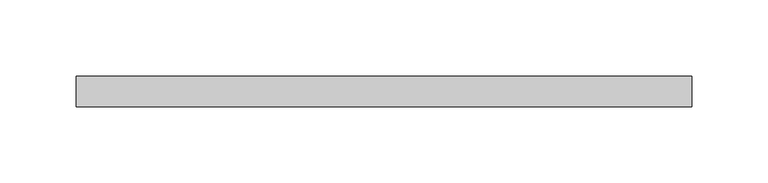
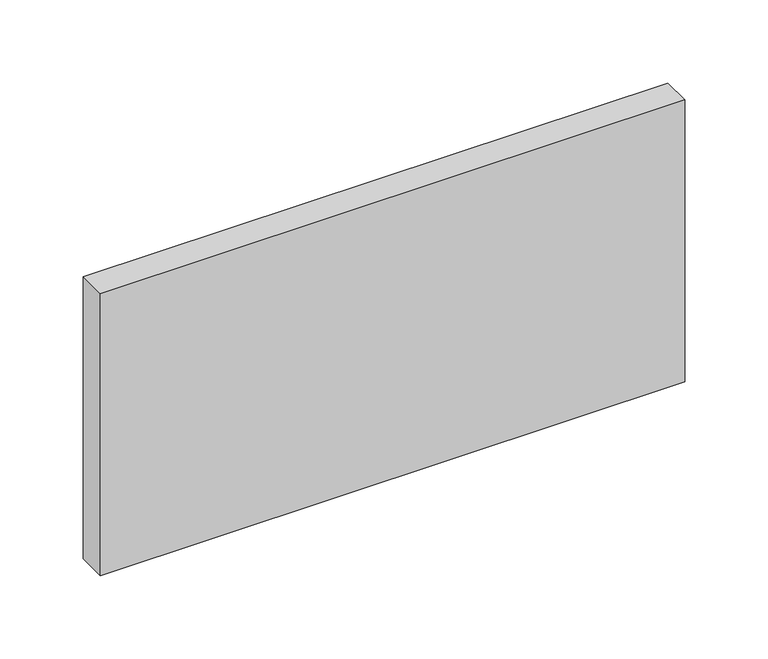
"""IFC4 building model written with IfcOpenShell, lengths in millimetres: plate geometry."""

from ifc_helpers import new_model, si_unit, origin, origin_with_axes, place, context, project, spatial, polyline, outline, extrude, source, transform, mapped, element, save


def plate_d4530995(model_context):
    return source(origin(), model_context, "Body", "SweptSolid", [
        extrude(outline(polyline([(202.3913043, 70.0), (-202.3913043, 70.0), (-202.3913043, 90.0), (202.3913043, 90.0), (202.3913043, 70.0)])), origin_with_axes(), (0.0, 0.0, 1.0), 206.4596055),
    ])


if __name__ == "__main__":
    model = new_model("IFC4")
    model_context = context("Model", 3, world=origin())
    ifc_project = project(units=[si_unit("LENGTHUNIT", "METRE", prefix="MILLI")], contexts=[model_context])
    site = spatial("IfcSite", under=ifc_project)
    building = spatial("IfcBuilding", under=site)
    placement = place(None, origin())
    plate_shape = plate_d4530995(model_context)
    element("IfcPlate", 1, at=placement, inside=building, context=model_context, shape_type="MappedRepresentation", body=[
        mapped(plate_shape, transform((0.0, 0.0, 0.0), x_axis=(1.0, 0.0, 0.0), y_axis=(0.0, 1.0, 0.0), z_axis=(0.0, 0.0, 1.0))),
    ])
    save(model, "model.ifc")
